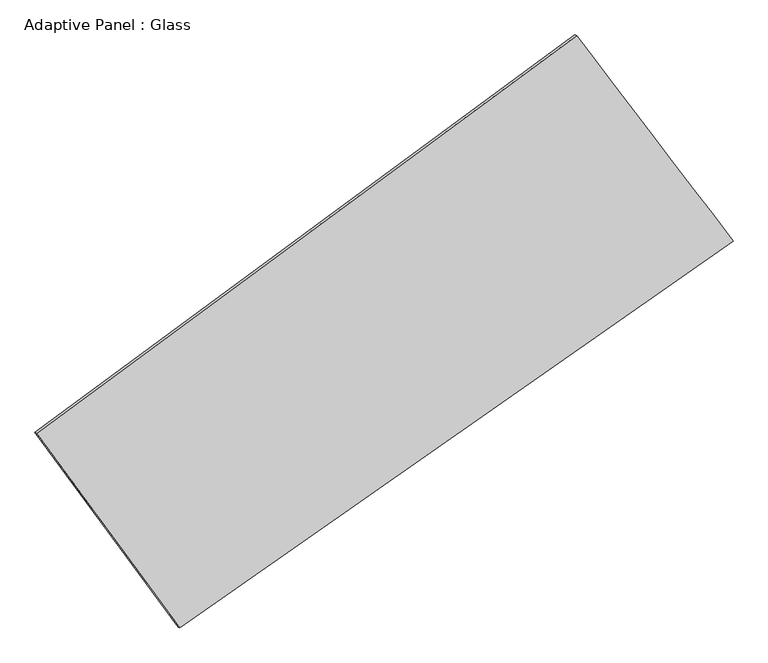
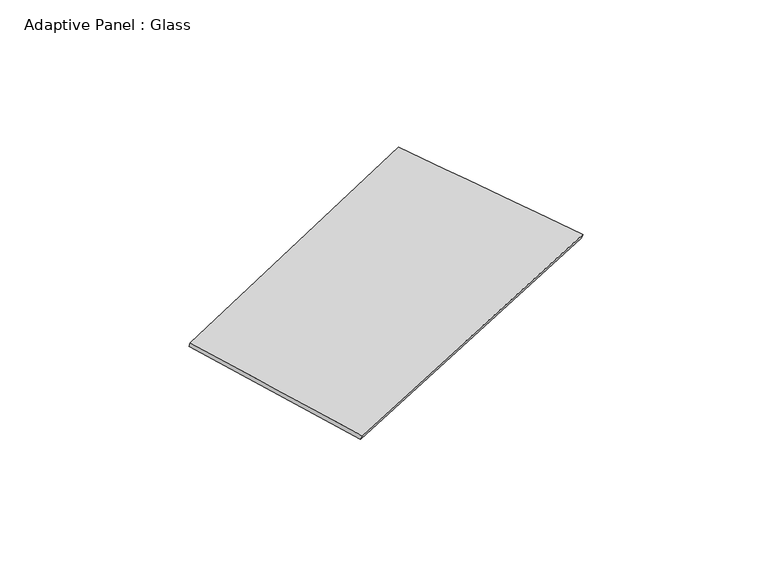
"""IFC4 building model written with IfcOpenShell, lengths in millimetres: plate geometry, Adaptive Panel : Glass."""

from ifc_helpers import new_model, si_unit, frame, origin, place, context, project, spatial, source, transform, mapped, element, save
from ifc_brep_helpers import plane_surface, spline_surface, advanced_brep


def adaptive_panel_glass_d882b3c3(model_context):
    return source(origin(), model_context, "Body", "AdvancedBrep", [
        advanced_brep(
        [(1041.7482339, 2494.2673949, 662.8167207), (-3643.6797715, -958.6909592, 1717.7654727), (-3629.0134157, -965.0710527, 1765.1383808), (1056.4145898, 2487.8873015, 710.1896288), (-2399.9306241, -2647.3205935, 1034.2587506), (-2385.2642682, -2653.7006869, 1081.6316587), (2398.5715835, 711.4955849, 70.2815761), (2413.2379394, 705.1154914, 117.6544841)],
        [
            (0, 1),
            (1, 2),
            (2, 3),
            (3, 0),
            (1, 4),
            (4, 5),
            (5, 2),
            (4, 6),
            (6, 7),
            (7, 5),
            (6, 0),
            (3, 7),
        ],
        [
            plane_surface(frame((-1300.9657688, 767.7882179, 1190.2910967), z_axis=(-0.5303518382563668, 0.8028503948519481, 0.2723199793334372), x_axis=(-0.7921055304072029, -0.5837476118341801, 0.17834672516257552))),
            plane_surface(frame((-3021.8051978, -1803.0057763, 1376.0121117), z_axis=(-0.7652129338786455, -0.6254112446949629, 0.15267593403655083), x_axis=(0.5638534305706353, -0.765539911444012, -0.3098676375809842))),
            plane_surface(frame((-0.6795203, -967.9125043, 552.2701634), z_axis=(0.5154145772864341, -0.81357927456137, -0.2691404420090774), x_axis=(0.808368132057186, 0.5658348881726706, -0.16239409595486293))),
            plane_surface(frame((1720.1599087, 1602.8814899, 366.5491484), z_axis=(0.7617956512955047, 0.6299724413710597, -0.1510036714131307), x_axis=(-0.5854938039252237, 0.7692982648803185, 0.2556896267299542))),
            spline_surface(1, 1, [[(-3629.0134157, -965.0710527, 1765.1383808), (1056.4145898, 2487.8873015, 710.1896288)], [(-2385.2642682, -2653.7006869, 1081.6316587), (2413.2379394, 705.1154914, 117.6544841)]], [2, 2], [2, 2], [0.0, 1.0], [0.0, 1.0]),
            spline_surface(1, 1, [[(2398.5715835, 711.4955849, 70.2815761), (1041.7482339, 2494.2673949, 662.8167207)], [(-2399.9306241, -2647.3205935, 1034.2587506), (-3643.6797715, -958.6909592, 1717.7654727)]], [2, 2], [2, 2], [0.0, 1.0], [0.0, 1.0]),
        ],
        [
            (0, [[1, 2, 3, 4]]),
            (1, [[5, 6, 7, -2]]),
            (2, [[8, 9, 10, -6]]),
            (3, [[11, -4, 12, -9]]),
            (4, [[-3, -7, -10, -12]]),
            (5, [[-11, -8, -5, -1]]),
        ],
    ),
    ])


if __name__ == "__main__":
    model = new_model("IFC4")
    model_context = context("Model", 3, world=origin())
    ifc_project = project(units=[si_unit("LENGTHUNIT", "METRE", prefix="MILLI")], contexts=[model_context])
    site = spatial("IfcSite", under=ifc_project)
    building = spatial("IfcBuilding", under=site)
    placement = place(None, origin())
    adaptive_panel_glass_shape = adaptive_panel_glass_d882b3c3(model_context)
    element("IfcPlate", 1, ObjectType="Adaptive Panel : Glass", at=placement, inside=building, context=model_context, shape_type="MappedRepresentation", body=[
        mapped(adaptive_panel_glass_shape, transform((0.0, 0.0, 0.0), x_axis=(1.0, 0.0, 0.0), y_axis=(0.0, 1.0, 0.0), z_axis=(0.0, 0.0, 1.0))),
    ])
    save(model, "model.ifc")
